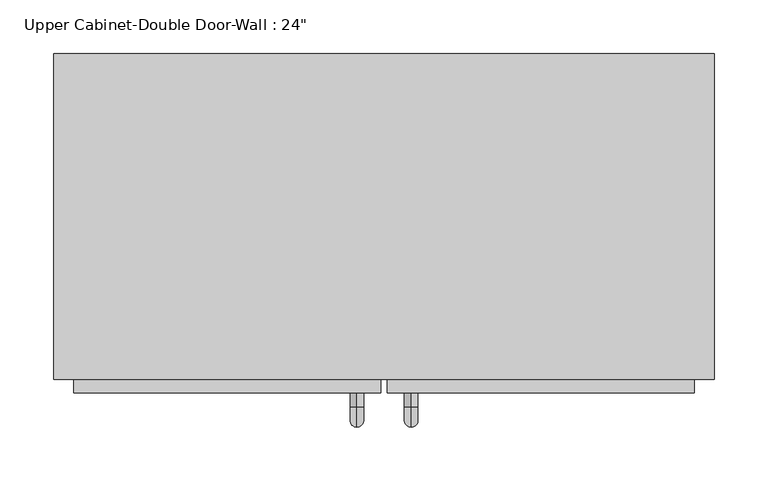
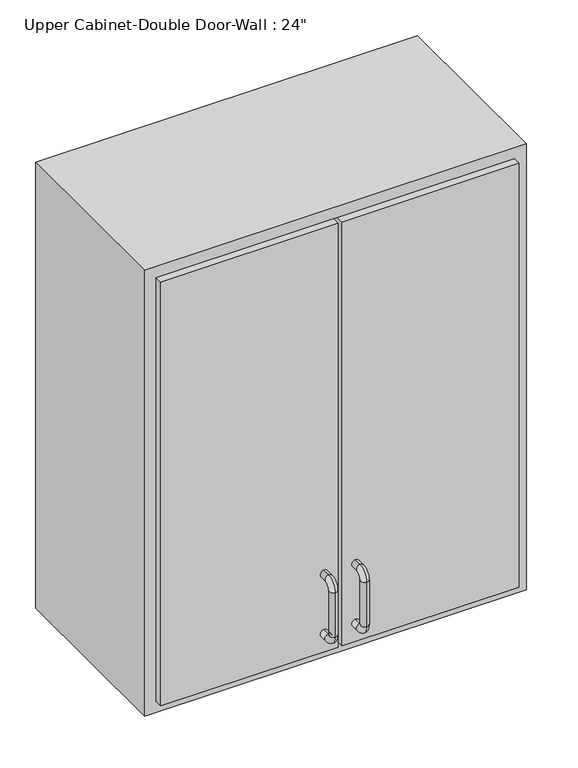
"""IFC4 building model written with IfcOpenShell, lengths in millimetres: furniture geometry."""

from ifc_helpers import new_model, si_unit, point, frame, origin, place, context, project, spatial, polyline, circle_curve, ellipse_curve, trimmed, outline, extrude, faceted_brep, source, transform, mapped, element, save
from ifc_brep_helpers import plane_surface, cylinder_surface, revolved_surface, advanced_brep


def furniture_92191df3(model_context):
    return source(origin(), model_context, "Body", "SolidModel", [
        faceted_brep([(-278.9010162, -76.2, 2133.6), (338.4433418, -76.2, 2133.6), (338.4433418, -76.2, 1371.6), (-278.9010162, -76.2, 1371.6), (-278.9010162, -381.0, 2133.6), (-278.9010162, -381.0, 1371.6), (338.4433418, -381.0, 1371.6), (338.4433418, -381.0, 2133.6), (-259.8510162, -381.0, 2114.55), (319.3933418, -381.0, 2114.55), (319.3933418, -381.0, 1390.65), (-259.8510162, -381.0, 1390.65), (-259.8510162, -95.25, 2114.55), (319.3933418, -95.25, 2114.55), (319.3933418, -95.25, 1390.65), (-259.8510162, -95.25, 1390.65)], [[[0, 1, 2, 3]], [[4, 5, 6, 7], [8, 9, 10, 11]], [[3, 5, 4, 0]], [[2, 6, 5, 3]], [[1, 7, 6, 2]], [[0, 4, 7, 1]], [[8, 12, 13, 9]], [[9, 13, 14, 10]], [[10, 14, 15, 11]], [[11, 15, 12, 8]], [[12, 15, 14, 13]]]),
        advanced_brep(
        [(55.1711628, -393.7, 1517.65), (55.1711628, -393.7, 1530.35), (55.1711628, -406.4, 1530.35), (55.1711628, -406.4, 1517.65), (55.1711628, -425.45, 1511.3), (55.1711628, -412.75, 1511.3), (55.1711628, -425.45, 1435.1), (55.1711628, -412.75, 1435.1), (55.1711628, -406.4, 1416.05), (55.1711628, -406.4, 1428.75), (55.1711628, -393.7, 1428.75), (55.1711628, -393.7, 1416.05)],
        [
            (0, 1, circle_curve(frame((55.1711628, -393.7, 1524.0), z_axis=(0.0, 1.0, 0.0), x_axis=(0.0, 0.0, -1.0)), 6.35)),
            (1, 0, circle_curve(frame((55.1711628, -393.7, 1524.0), z_axis=(0.0, 1.0, 0.0), x_axis=(0.0, 0.0, -1.0)), 6.35)),
            (1, 2),
            (2, 3, circle_curve(frame((55.1711628, -406.4, 1524.0), z_axis=(0.0, 1.0, 0.0), x_axis=(0.0, 0.0, -1.0)), 6.35)),
            (3, 0),
            (3, 2, circle_curve(frame((55.1711628, -406.4, 1524.0), z_axis=(0.0, 1.0, 0.0), x_axis=(0.0, 0.0, -1.0)), 6.35)),
            (4, 5, circle_curve(frame((55.1711628, -419.1, 1511.3), z_axis=(0.0, 0.0, 1.0), x_axis=(0.0, 1.0, 0.0)), 6.35)),
            (5, 3, circle_curve(frame((55.1711628, -406.4, 1511.3), z_axis=(-1.0, 0.0, 0.0), x_axis=(0.0, 0.0, 1.0)), 6.35)),
            (2, 4, circle_curve(frame((55.1711628, -406.4, 1511.3), z_axis=(1.0, 0.0, 0.0), x_axis=(0.0, 0.0, 1.0)), 19.05)),
            (5, 4, circle_curve(frame((55.1711628, -419.1, 1511.3), z_axis=(0.0, 0.0, 1.0), x_axis=(0.0, 1.0, 0.0)), 6.35)),
            (4, 6),
            (6, 7, circle_curve(frame((55.1711628, -419.1, 1435.1), z_axis=(0.0, 0.0, 1.0), x_axis=(0.0, 1.0, 0.0)), 6.35)),
            (7, 5),
            (7, 6, circle_curve(frame((55.1711628, -419.1, 1435.1), z_axis=(0.0, 0.0, 1.0), x_axis=(0.0, 1.0, 0.0)), 6.35)),
            (8, 9, circle_curve(frame((55.1711628, -406.4, 1422.4), z_axis=(0.0, -1.0, 0.0), x_axis=(0.0, 0.0, 1.0)), 6.35)),
            (9, 7, circle_curve(frame((55.1711628, -406.4, 1435.1), z_axis=(-1.0, 0.0, 0.0), x_axis=(0.0, -1.0, 0.0)), 6.35)),
            (6, 8, circle_curve(frame((55.1711628, -406.4, 1435.1), z_axis=(1.0, 0.0, 0.0), x_axis=(0.0, -1.0, 0.0)), 19.05)),
            (9, 8, circle_curve(frame((55.1711628, -406.4, 1422.4), z_axis=(0.0, -1.0, 0.0), x_axis=(0.0, 0.0, 1.0)), 6.35)),
            (10, 11, circle_curve(frame((55.1711628, -393.7, 1422.4), z_axis=(0.0, 1.0, 0.0), x_axis=(0.0, 0.0, 1.0)), 6.35)),
            (11, 10, circle_curve(frame((55.1711628, -393.7, 1422.4), z_axis=(0.0, 1.0, 0.0), x_axis=(0.0, 0.0, 1.0)), 6.35)),
            (8, 11),
            (10, 9),
        ],
        [
            plane_surface(frame((48.8211628, -393.7, 1524.0), z_axis=(0.0, 1.0, 0.0), x_axis=(0.0, 0.0, 1.0))),
            cylinder_surface(frame((55.1711628, -393.7, 1524.0), z_axis=(0.0, 1.0, 0.0), x_axis=(0.0, 0.0, -1.0)), 6.35),
            revolved_surface(trimmed(ellipse_curve(frame((55.1711628, -406.4, 1524.0), z_axis=(0.0, -1.0, 0.0), x_axis=(0.0, 0.0, -1.0)), 6.35, 6.35), [point((55.1711628, -406.4, 1517.65))], [point((55.1711628, -406.4, 1530.35))], True, "CARTESIAN"), (55.1711628, -406.4, 1511.3), (-1.0, 0.0, 0.0)),
            revolved_surface(trimmed(ellipse_curve(frame((55.1711628, -406.4, 1524.0), z_axis=(0.0, -1.0, 0.0), x_axis=(0.0, 0.0, -1.0)), 6.35, 6.35), [point((55.1711628, -406.4, 1530.35))], [point((55.1711628, -406.4, 1517.65))], True, "CARTESIAN"), (55.1711628, -406.4, 1511.3), (-1.0, 0.0, 0.0)),
            cylinder_surface(frame((55.1711628, -419.1, 1511.3), z_axis=(0.0, 0.0, 1.0), x_axis=(0.0, 1.0, 0.0)), 6.35),
            revolved_surface(trimmed(ellipse_curve(frame((55.1711628, -419.1, 1435.1), z_axis=(0.0, 0.0, -1.0), x_axis=(0.0, 1.0, 0.0)), 6.35, 6.35), [point((55.1711628, -412.75, 1435.1))], [point((55.1711628, -425.45, 1435.1))], True, "CARTESIAN"), (55.1711628, -406.4, 1435.1), (-1.0, 0.0, 0.0)),
            revolved_surface(trimmed(ellipse_curve(frame((55.1711628, -419.1, 1435.1), z_axis=(0.0, 0.0, -1.0), x_axis=(0.0, 1.0, 0.0)), 6.35, 6.35), [point((55.1711628, -425.45, 1435.1))], [point((55.1711628, -412.75, 1435.1))], True, "CARTESIAN"), (55.1711628, -406.4, 1435.1), (-1.0, 0.0, 0.0)),
            plane_surface(frame((48.8211628, -393.7, 1422.4), z_axis=(0.0, 1.0, 0.0), x_axis=(0.0, 0.0, -1.0))),
            cylinder_surface(frame((55.1711628, -406.4, 1422.4), z_axis=(0.0, -1.0, 0.0), x_axis=(0.0, 0.0, 1.0)), 6.35),
        ],
        [
            (0, [[1, 2]]),
            (1, [[3, 4, 5, -2]]),
            (1, [[-5, 6, -3, -1]]),
            (2, [[7, 8, -4, 9]]),
            (3, [[10, -9, -6, -8]]),
            (4, [[11, 12, 13, -7]]),
            (4, [[-13, 14, -11, -10]]),
            (5, [[15, 16, -12, 17]]),
            (6, [[18, -17, -14, -16]]),
            (7, [[19, 20]]),
            (8, [[21, -19, 22, -15]]),
            (8, [[-22, -20, -21, -18]]),
        ],
    ),
        advanced_brep(
        [(4.3711628, -393.7, 1517.65), (4.3711628, -393.7, 1530.35), (4.3711628, -406.4, 1530.35), (4.3711628, -406.4, 1517.65), (4.3711628, -425.45, 1511.3), (4.3711628, -412.75, 1511.3), (4.3711628, -425.45, 1435.1), (4.3711628, -412.75, 1435.1), (4.3711628, -406.4, 1416.05), (4.3711628, -406.4, 1428.75), (4.3711628, -393.7, 1428.75), (4.3711628, -393.7, 1416.05)],
        [
            (0, 1, circle_curve(frame((4.3711628, -393.7, 1524.0), z_axis=(0.0, 1.0, 0.0), x_axis=(0.0, 0.0, 1.0)), 6.35)),
            (1, 0, circle_curve(frame((4.3711628, -393.7, 1524.0), z_axis=(0.0, 1.0, 0.0), x_axis=(0.0, 0.0, 1.0)), 6.35)),
            (1, 2),
            (2, 3, circle_curve(frame((4.3711628, -406.4, 1524.0), z_axis=(0.0, 1.0, 0.0), x_axis=(0.0, 0.0, 1.0)), 6.35)),
            (3, 0),
            (3, 2, circle_curve(frame((4.3711628, -406.4, 1524.0), z_axis=(0.0, 1.0, 0.0), x_axis=(0.0, 0.0, 1.0)), 6.35)),
            (4, 5, circle_curve(frame((4.3711628, -419.1, 1511.3), z_axis=(0.0, 0.0, 1.0), x_axis=(0.0, -1.0, 0.0)), 6.35)),
            (5, 3, circle_curve(frame((4.3711628, -406.4, 1511.3), z_axis=(-1.0, 0.0, 0.0), x_axis=(0.0, 0.0, 1.0)), 6.35)),
            (2, 4, circle_curve(frame((4.3711628, -406.4, 1511.3), z_axis=(1.0, 0.0, 0.0), x_axis=(0.0, 0.0, 1.0)), 19.05)),
            (5, 4, circle_curve(frame((4.3711628, -419.1, 1511.3), z_axis=(0.0, 0.0, 1.0), x_axis=(0.0, -1.0, 0.0)), 6.35)),
            (4, 6),
            (6, 7, circle_curve(frame((4.3711628, -419.1, 1435.1), z_axis=(0.0, 0.0, 1.0), x_axis=(0.0, -1.0, 0.0)), 6.35)),
            (7, 5),
            (7, 6, circle_curve(frame((4.3711628, -419.1, 1435.1), z_axis=(0.0, 0.0, 1.0), x_axis=(0.0, -1.0, 0.0)), 6.35)),
            (8, 9, circle_curve(frame((4.3711628, -406.4, 1422.4), z_axis=(0.0, -1.0, 0.0), x_axis=(0.0, 0.0, -1.0)), 6.35)),
            (9, 7, circle_curve(frame((4.3711628, -406.4, 1435.1), z_axis=(-1.0, 0.0, 0.0), x_axis=(0.0, -1.0, 0.0)), 6.35)),
            (6, 8, circle_curve(frame((4.3711628, -406.4, 1435.1), z_axis=(1.0, 0.0, 0.0), x_axis=(0.0, -1.0, 0.0)), 19.05)),
            (9, 8, circle_curve(frame((4.3711628, -406.4, 1422.4), z_axis=(0.0, -1.0, 0.0), x_axis=(0.0, 0.0, -1.0)), 6.35)),
            (10, 11, circle_curve(frame((4.3711628, -393.7, 1422.4), z_axis=(0.0, 1.0, 0.0), x_axis=(0.0, 0.0, -1.0)), 6.35)),
            (11, 10, circle_curve(frame((4.3711628, -393.7, 1422.4), z_axis=(0.0, 1.0, 0.0), x_axis=(0.0, 0.0, -1.0)), 6.35)),
            (8, 11),
            (10, 9),
        ],
        [
            plane_surface(frame((-1.9788372, -393.7, 1524.0), z_axis=(0.0, 1.0, 0.0), x_axis=(0.0, 0.0, 1.0))),
            cylinder_surface(frame((4.3711628, -393.7, 1524.0), z_axis=(0.0, 1.0, 0.0), x_axis=(0.0, 0.0, 1.0)), 6.35),
            revolved_surface(trimmed(ellipse_curve(frame((4.3711628, -406.4, 1524.0), z_axis=(0.0, -1.0, 0.0), x_axis=(0.0, 0.0, 1.0)), 6.35, 6.35), [point((4.3711628, -406.4, 1517.65))], [point((4.3711628, -406.4, 1530.35))], True, "CARTESIAN"), (4.3711628, -406.4, 1511.3), (-1.0, 0.0, 0.0)),
            revolved_surface(trimmed(ellipse_curve(frame((4.3711628, -406.4, 1524.0), z_axis=(0.0, -1.0, 0.0), x_axis=(0.0, 0.0, 1.0)), 6.35, 6.35), [point((4.3711628, -406.4, 1530.35))], [point((4.3711628, -406.4, 1517.65))], True, "CARTESIAN"), (4.3711628, -406.4, 1511.3), (-1.0, 0.0, 0.0)),
            cylinder_surface(frame((4.3711628, -419.1, 1511.3), z_axis=(0.0, 0.0, 1.0), x_axis=(0.0, -1.0, 0.0)), 6.35),
            revolved_surface(trimmed(ellipse_curve(frame((4.3711628, -419.1, 1435.1), z_axis=(0.0, 0.0, -1.0), x_axis=(0.0, -1.0, 0.0)), 6.35, 6.35), [point((4.3711628, -412.75, 1435.1))], [point((4.3711628, -425.45, 1435.1))], True, "CARTESIAN"), (4.3711628, -406.4, 1435.1), (-1.0, 0.0, 0.0)),
            revolved_surface(trimmed(ellipse_curve(frame((4.3711628, -419.1, 1435.1), z_axis=(0.0, 0.0, -1.0), x_axis=(0.0, -1.0, 0.0)), 6.35, 6.35), [point((4.3711628, -425.45, 1435.1))], [point((4.3711628, -412.75, 1435.1))], True, "CARTESIAN"), (4.3711628, -406.4, 1435.1), (-1.0, 0.0, 0.0)),
            plane_surface(frame((-1.9788372, -393.7, 1422.4), z_axis=(0.0, 1.0, 0.0), x_axis=(0.0, 0.0, -1.0))),
            cylinder_surface(frame((4.3711628, -406.4, 1422.4), z_axis=(0.0, -1.0, 0.0), x_axis=(0.0, 0.0, -1.0)), 6.35),
        ],
        [
            (0, [[1, 2]]),
            (1, [[3, 4, 5, -2]]),
            (1, [[-5, 6, -3, -1]]),
            (2, [[7, 8, -4, 9]]),
            (3, [[10, -9, -6, -8]]),
            (4, [[11, 12, 13, -7]]),
            (4, [[-13, 14, -11, -10]]),
            (5, [[15, 16, -12, 17]]),
            (6, [[18, -17, -14, -16]]),
            (7, [[19, 20]]),
            (8, [[21, -19, 22, -15]]),
            (8, [[-22, -20, -21, -18]]),
        ],
    ),
        extrude(outline(polyline([(32.9461628, -393.7), (32.9461628, -361.95), (319.3933418, -361.95), (319.3933418, -393.7), (32.9461628, -393.7)])), frame((0.0, 0.0, 1390.65), z_axis=(0.0, 0.0, 1.0), x_axis=(1.0, 0.0, 0.0)), (0.0, 0.0, 1.0), 723.9),
        extrude(outline(polyline([(-259.8510162, -393.7), (-259.8510162, -361.95), (26.5961628, -361.95), (26.5961628, -393.7), (-259.8510162, -393.7)])), frame((0.0, 0.0, 1390.65), z_axis=(0.0, 0.0, 1.0), x_axis=(1.0, 0.0, 0.0)), (0.0, 0.0, 1.0), 723.9),
    ])


if __name__ == "__main__":
    model = new_model("IFC4")
    model_context = context("Model", 3, world=origin())
    ifc_project = project(units=[si_unit("LENGTHUNIT", "METRE", prefix="MILLI")], contexts=[model_context])
    site = spatial("IfcSite", under=ifc_project)
    building = spatial("IfcBuilding", under=site)
    placement = place(None, origin())
    furniture_shape = furniture_92191df3(model_context)
    element("IfcFurniture", 1, ObjectType="Upper Cabinet-Double Door-Wall : 24\"", at=placement, inside=building, context=model_context, shape_type="MappedRepresentation", body=[
        mapped(furniture_shape, transform((0.0, 0.0, 0.0), x_axis=(1.0, 0.0, 0.0), y_axis=(0.0, 1.0, 0.0), z_axis=(0.0, 0.0, 1.0))),
    ])
    save(model, "model.ifc")
